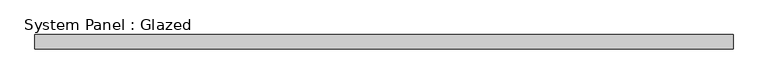
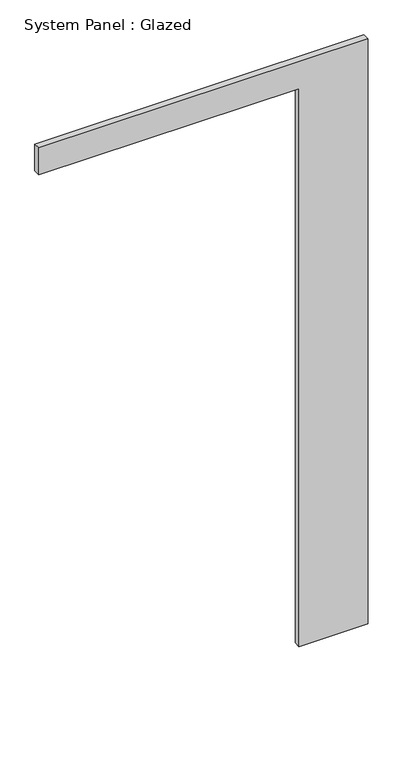
"""IFC4 building model written with IfcOpenShell, lengths in millimetres: plate geometry, System Panel : Glazed."""

import ifcopenshell
import ifcopenshell.guid

model = None  # the IFC model being written
_history = None  # IfcOwnerHistory: only IFC2X3 demands one
_inside = {}  # id of a spatial element -> (the spatial element, [elements in it])
_under = {}  # id of a project, library or spatial element -> (it, [spatial elements below it])
_declared = {}  # id of a project -> (the project, [libraries it declares])
_typed = {}  # id of a type object -> (the type object, [elements of that type])
_made_of = {}  # id of a material, layer set ... -> (it, [elements and type objects made of it])


def new_model(schema):
    """Start an empty IFC model of exactly this schema.

    Asked for "IFC4X3", IfcOpenShell would pick the latest addendum, in which some entities
    have other attributes; the version numbers below select the first issue.
    IFC2X3 requires an IfcOwnerHistory on every rooted entity: one is made here for all.
    """
    global model, _history
    if schema == "IFC4X3":
        model = ifcopenshell.file(schema_version=(4, 3, 0, 0))
    else:
        model = ifcopenshell.file(schema=schema)
    _inside.clear()
    _under.clear()
    _declared.clear()
    _typed.clear()
    _made_of.clear()
    _history = None
    if model.schema == "IFC2X3":
        org = make("IfcOrganization", Name="unknown")
        user = make(
            "IfcPersonAndOrganization",
            ThePerson=make("IfcPerson", FamilyName="unknown"),
            TheOrganization=org,
        )
        app = make(
            "IfcApplication",
            ApplicationDeveloper=org,
            Version="unknown",
            ApplicationFullName="unknown",
            ApplicationIdentifier="unknown",
        )
        _history = make(
            "IfcOwnerHistory",
            OwningUser=user,
            OwningApplication=app,
            ChangeAction="ADDED",
            CreationDate=0,
        )
    return model


def make(cls, **values):
    """One entity of the class cls with the attributes given. An attribute that is None is left unset."""
    return model.create_entity(
        cls, **{name: value for name, value in values.items() if value is not None}
    )


def rooted(cls, **values):
    """An entity with a GlobalId (a new one), such as an element, a storey or a relation."""
    return make(cls, GlobalId=ifcopenshell.guid.new(), OwnerHistory=_history, **values)


def si_unit(unit_type, name, prefix=None):
    """IfcSIUnit, for example si_unit("LENGTHUNIT", "METRE", prefix="MILLI")."""
    return make("IfcSIUnit", UnitType=unit_type, Prefix=prefix, Name=name)


def assignment(units):
    """IfcUnitAssignment: the units of a project."""
    return None if units is None else make("IfcUnitAssignment", Units=units)


def point(xyz):
    """IfcCartesianPoint."""
    return None if xyz is None else make("IfcCartesianPoint", Coordinates=xyz)


def direction(xyz):
    """IfcDirection."""
    return None if xyz is None else make("IfcDirection", DirectionRatios=xyz)


def frame(location, z_axis=None, x_axis=None):
    """IfcAxis2Placement3D, a coordinate frame: its origin and axes. An axis left out is left unset."""
    return make(
        "IfcAxis2Placement3D",
        Location=point(location),
        Axis=direction(z_axis),
        RefDirection=direction(x_axis),
    )


def origin():
    """The frame at (0, 0, 0) with its axes left unset."""
    return frame((0.0, 0.0, 0.0))


def place(relative_to, where):
    """IfcLocalPlacement: puts the frame where relative to a parent placement (None: the world)."""
    return make(
        "IfcLocalPlacement", PlacementRelTo=relative_to, RelativePlacement=where
    )


def context(
    kind, dimensions, precision=None, world=None, true_north=None, identifier=None
):
    """IfcGeometricRepresentationContext, for example the 3D "Model" context."""
    return make(
        "IfcGeometricRepresentationContext",
        ContextIdentifier=identifier,
        ContextType=kind,
        CoordinateSpaceDimension=dimensions,
        Precision=precision,
        WorldCoordinateSystem=world,
        TrueNorth=true_north,
    )


def project(units=None, contexts=None):
    """IfcProject with its units and contexts."""
    return rooted(
        "IfcProject",
        Name="project",
        RepresentationContexts=contexts,
        UnitsInContext=assignment(units),
    )


def spatial(cls, under=None, at=None, **own):
    """A site, building, storey or space (cls), placed at a placement, below another one or the project."""
    s = rooted(cls, ObjectPlacement=at, **own)
    if under is not None:
        _under.setdefault(under.id(), (under, []))[1].append(s)
    return s


def polyline(points):
    """IfcPolyline through the points."""
    return make("IfcPolyline", Points=[point(p) for p in points])


def outline(outer, holes=None, kind="AREA"):
    """IfcArbitraryClosedProfileDef: a profile drawn as a closed curve; with holes, ...WithVoids."""
    if holes is None:
        return make("IfcArbitraryClosedProfileDef", ProfileType=kind, OuterCurve=outer)
    return make(
        "IfcArbitraryProfileDefWithVoids",
        ProfileType=kind,
        OuterCurve=outer,
        InnerCurves=holes,
    )


def extrude(swept, where, along, depth):
    """IfcExtrudedAreaSolid: the profile swept, set in the frame where, extruded along a direction by depth."""
    return make(
        "IfcExtrudedAreaSolid",
        SweptArea=swept,
        Position=where,
        ExtrudedDirection=direction(along),
        Depth=depth,
    )


def shape(context_of_items, identifier, shape_type, items):
    """IfcShapeRepresentation: the items that make up one representation, for example the "Body"."""
    return make(
        "IfcShapeRepresentation",
        ContextOfItems=context_of_items,
        RepresentationIdentifier=identifier,
        RepresentationType=shape_type,
        Items=items,
    )


def source(mapping_origin, context_of_items, identifier, shape_type, items):
    """IfcRepresentationMap: a shape defined once, which mapped items show again and again."""
    return make(
        "IfcRepresentationMap",
        MappingOrigin=mapping_origin,
        MappedRepresentation=shape(context_of_items, identifier, shape_type, items),
    )


def transform(
    local_origin,
    x_axis=None,
    y_axis=None,
    z_axis=None,
    scale=None,
    scale2=None,
    scale3=None,
    uniform=True,
):
    """IfcCartesianTransformationOperator3D, or its non-uniform kind. x_axis, y_axis, z_axis: its Axis1, 2, 3."""
    if uniform:
        return make(
            "IfcCartesianTransformationOperator3D",
            Axis1=direction(x_axis),
            Axis2=direction(y_axis),
            LocalOrigin=point(local_origin),
            Scale=scale,
            Axis3=direction(z_axis),
        )
    return make(
        "IfcCartesianTransformationOperator3DnonUniform",
        Axis1=direction(x_axis),
        Axis2=direction(y_axis),
        LocalOrigin=point(local_origin),
        Scale=scale,
        Axis3=direction(z_axis),
        Scale2=scale2,
        Scale3=scale3,
    )


def mapped(mapping_source, mapping_target):
    """IfcMappedItem: shows the shape of a source again, moved by a transform."""
    return make(
        "IfcMappedItem", MappingSource=mapping_source, MappingTarget=mapping_target
    )


def made_of(thing, what):
    """Note that an element or type object is made of a material, layer set ...; save() writes the relation."""
    if what is not None:
        _made_of.setdefault(what.id(), (what, []))[1].append(thing)
    return thing


def element(
    cls,
    number,
    at=None,
    inside=None,
    cuts=None,
    type_object=None,
    material=None,
    context=None,
    identifier="Body",
    shape_type=None,
    held_by="IfcProductDefinitionShape",
    body=None,
    shapes=None,
    **own,
):
    """One element of the class cls, such as IfcWall. Its Tag is "e" and its number.

    at: its placement. inside: the storey or other place that contains it. cuts: it is an
    opening in that element (IfcRelVoidsElement). A single representation is given by context,
    identifier, shape_type and body (its items); several are given by shapes. held_by: the class
    of the entity that holds the representations. save() writes the other relations.
    """
    e = rooted(cls, Tag="e%d" % number, ObjectPlacement=at, **own)
    if body is not None:
        shapes = [shape(context, identifier, shape_type, body)]
    if shapes is not None:
        e.Representation = make(held_by, Representations=shapes)
    if inside is not None:
        _inside.setdefault(inside.id(), (inside, []))[1].append(e)
    if cuts is not None:
        rooted(
            "IfcRelVoidsElement", RelatingBuildingElement=cuts, RelatedOpeningElement=e
        )
    if type_object is not None:
        _typed.setdefault(type_object.id(), (type_object, []))[1].append(e)
    return made_of(e, material)


def aggregate(whole, parts):
    """IfcRelAggregates: a whole, such as a stair, and the parts it consists of."""
    return rooted("IfcRelAggregates", RelatingObject=whole, RelatedObjects=parts)


def save(model, path):
    """Write the relations noted so far, then the file.

    IfcRelAggregates (storeys below a building ...), IfcRelContainedInSpatialStructure (elements
    in a storey), IfcRelDefinesByType, IfcRelAssociatesMaterial and IfcRelDeclares: one each for
    every whole, place, type object, material and project.
    """
    for whole, parts in _under.values():
        aggregate(whole, parts)
    for where, things in _inside.values():
        rooted(
            "IfcRelContainedInSpatialStructure",
            RelatedElements=things,
            RelatingStructure=where,
        )
    for kind, things in _typed.values():
        rooted("IfcRelDefinesByType", RelatedObjects=things, RelatingType=kind)
    for what, things in _made_of.values():
        rooted("IfcRelAssociatesMaterial", RelatedObjects=things, RelatingMaterial=what)
    for by, libraries in _declared.values():
        rooted("IfcRelDeclares", RelatingContext=by, RelatedDefinitions=libraries)
    model.write(path)


def system_panel_glazed_6aadb2bc(model_context):
    return source(origin(), model_context, "Body", "SweptSolid", [
        extrude(outline(polyline([(0.0, 362.9981917), (0.0, 623.9022726), (2343.15, 623.9022726), (2343.15, -623.9022726), (2235.2, -623.9022726), (2235.2, 362.9981917), (0.0, 362.9981917)])), frame((0.0, 19.05, 0.0), z_axis=(0.0, 1.0, 0.0), x_axis=(0.0, 0.0, 1.0)), (0.0, 0.0, 1.0), 25.4),
    ])


if __name__ == "__main__":
    model = new_model("IFC4")
    model_context = context("Model", 3, world=origin())
    ifc_project = project(units=[si_unit("LENGTHUNIT", "METRE", prefix="MILLI")], contexts=[model_context])
    site = spatial("IfcSite", under=ifc_project)
    building = spatial("IfcBuilding", under=site)
    placement = place(None, origin())
    system_panel_glazed_shape = system_panel_glazed_6aadb2bc(model_context)
    element("IfcPlate", 1, ObjectType="System Panel : Glazed", at=placement, inside=building, context=model_context, shape_type="MappedRepresentation", body=[
        mapped(system_panel_glazed_shape, transform((0.0, 0.0, 0.0), x_axis=(1.0, 0.0, 0.0), y_axis=(0.0, 1.0, 0.0), z_axis=(0.0, 0.0, 1.0))),
    ])
    save(model, "model.ifc")
